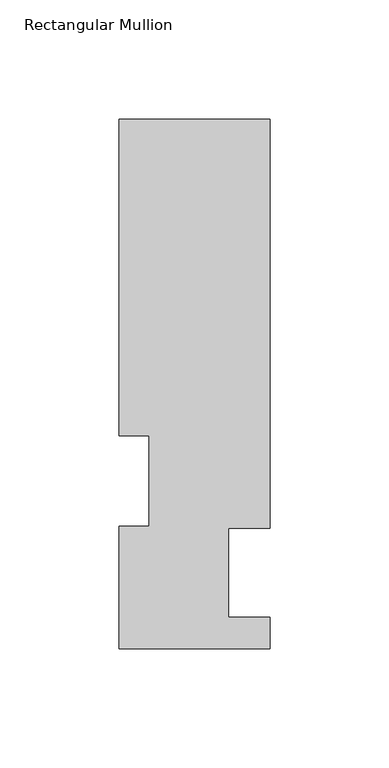
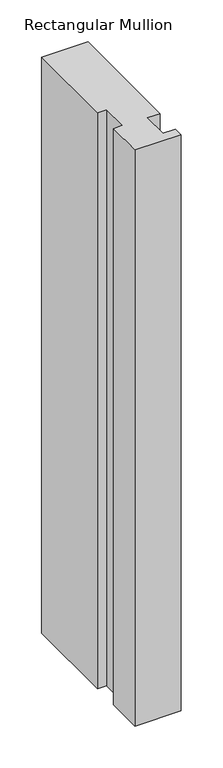
"""IFC4 building model written with IfcOpenShell, lengths in millimetres: member geometry, Rectangular Mullion."""

from ifc_helpers import new_model, si_unit, frame, origin, place, context, project, spatial, polyline, outline, extrude, source, transform, mapped, element, save


def rectangular_mullion_513bcb99(model_context):
    return source(origin(), model_context, "Body", "SweptSolid", [
        extrude(outline(polyline([(31.7500002, 222.5381313), (31.7500002, 50.8087295), (14.2747994, 50.8087295), (14.2747994, 13.3945312), (31.7500002, 13.3945312), (31.7500002, 0.2119312), (-31.7499998, 0.2119312), (-31.7499998, 51.4945316), (-19.0499998, 51.4945316), (-19.0499998, 89.5945313), (-31.7499998, 89.5945313), (-31.7499998, 222.5381313), (31.7500002, 222.5381313)])), frame((0.0, 0.0, -838.2000001), z_axis=(0.0, 0.0, 1.0), x_axis=(1.0, 0.0, 0.0)), (0.0, 0.0, 1.0), 838.2000001),
    ])


if __name__ == "__main__":
    model = new_model("IFC4")
    model_context = context("Model", 3, world=origin())
    ifc_project = project(units=[si_unit("LENGTHUNIT", "METRE", prefix="MILLI")], contexts=[model_context])
    site = spatial("IfcSite", under=ifc_project)
    building = spatial("IfcBuilding", under=site)
    placement = place(None, origin())
    rectangular_mullion_shape = rectangular_mullion_513bcb99(model_context)
    element("IfcMember", 1, ObjectType="Rectangular Mullion", at=placement, inside=building, context=model_context, shape_type="MappedRepresentation", body=[
        mapped(rectangular_mullion_shape, transform((0.0, 0.0, 0.0), x_axis=(1.0, 0.0, 0.0), y_axis=(0.0, 1.0, 0.0), z_axis=(0.0, 0.0, 1.0))),
    ])
    save(model, "model.ifc")
